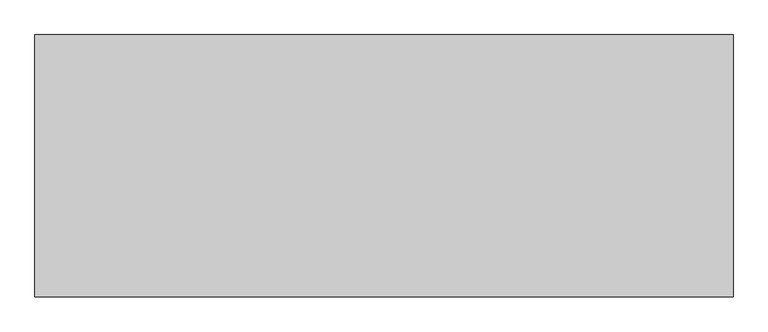
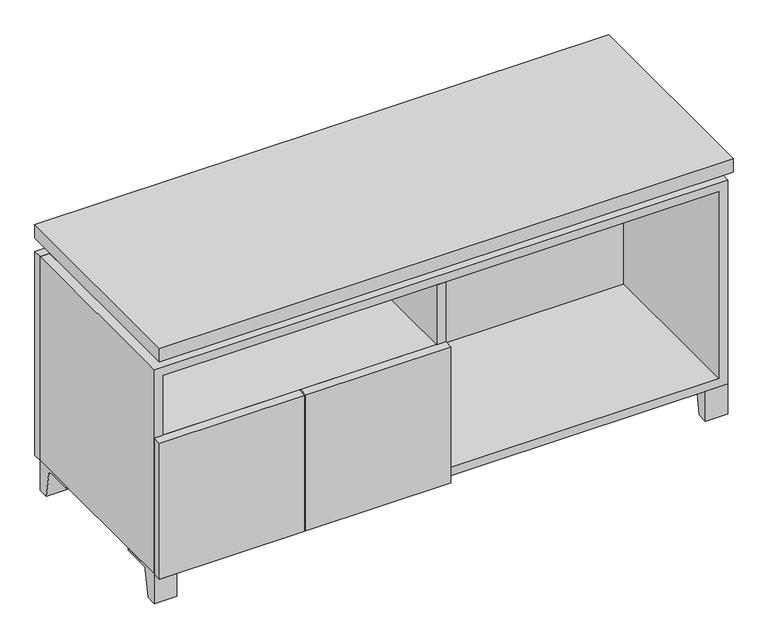
"""IFC4 building model written with IfcOpenShell, lengths in millimetres: furniture geometry."""

from ifc_helpers import new_model, si_unit, point, frame, frame_2d, origin, place, context, project, spatial, polyline, circle_curve, trimmed, segment, composite_curve, outline, extrude, faceted_brep, source, transform, mapped, element, save


def furniture_b4972115(model_context):
    return source(origin(), model_context, "Body", "SolidModel", [
        extrude(outline(composite_curve([segment(polyline([(44.9791531, 0.0), (22.225, 0.0), (22.225, 66.675), (117.475, 66.675), (117.475, 61.8963321), (60.6744655, 61.8963321)]), True, "CONTINUOUS"), segment(trimmed(circle_curve(frame_2d((60.6744655, 55.5463321)), 6.35), [point((60.6744655, 61.8963321))], [point((54.4108641, 56.5902656))], True, "CARTESIAN"), True, "CONTINUOUS"), segment(polyline([(54.4108641, 56.5902656), (44.9791531, 0.0)]), True, "CONTINUOUS")], self_intersect=False)), frame((-23.7986094, 0.0, 0.0), z_axis=(1.0, 0.0, 0.0), x_axis=(0.0, 1.0, 0.0)), (0.0, 0.0, 1.0), 47.625),
        extrude(outline(composite_curve([segment(polyline([(-123.2958469, 0.0), (-146.05, 0.0), (-146.05, 66.675), (-50.8, 66.675), (-50.8, 61.8963321), (-107.6005345, 61.8963321)]), True, "CONTINUOUS"), segment(trimmed(circle_curve(frame_2d((-107.6005345, 55.5463321)), 6.35), [point((-107.6005345, 61.8963321))], [point((-113.8641359, 56.5902656))], True, "CARTESIAN"), True, "CONTINUOUS"), segment(polyline([(-113.8641359, 56.5902656), (-123.2958469, 0.0)]), True, "CONTINUOUS")], self_intersect=False)), frame((560.4013906, 0.0, 0.0), z_axis=(1.0, 0.0, 0.0), x_axis=(0.0, 1.0, 0.0)), (0.0, 0.0, 1.0), 47.625),
        extrude(outline(composite_curve([segment(polyline([(250.2958469, 0.0), (240.8641359, 56.5902656)]), True, "CONTINUOUS"), segment(trimmed(circle_curve(frame_2d((234.6005345, 55.5463321)), 6.35), [point((240.8641359, 56.5902656))], [point((234.6005345, 61.8963321))], True, "CARTESIAN"), True, "CONTINUOUS"), segment(polyline([(234.6005345, 61.8963321), (177.8, 61.8963321), (177.8, 66.675), (273.05, 66.675), (273.05, 0.0), (250.2958469, 0.0)]), True, "CONTINUOUS")], self_intersect=False)), frame((560.4013906, 0.0, 0.0), z_axis=(1.0, 0.0, 0.0), x_axis=(0.0, 1.0, 0.0)), (0.0, 0.0, 1.0), 47.625),
        extrude(outline(composite_curve([segment(polyline([(-123.2958469, 0.0), (-146.05, 0.0), (-146.05, 66.675), (-50.8, 66.675), (-50.8, 61.8963321), (-107.6005345, 61.8963321)]), True, "CONTINUOUS"), segment(trimmed(circle_curve(frame_2d((-107.6005345, 55.5463321)), 6.35), [point((-107.6005345, 61.8963321))], [point((-113.8641359, 56.5902656))], True, "CARTESIAN"), True, "CONTINUOUS"), segment(polyline([(-113.8641359, 56.5902656), (-123.2958469, 0.0)]), True, "CONTINUOUS")], self_intersect=False)), frame((-607.9986094, 0.0, 0.0), z_axis=(1.0, 0.0, 0.0), x_axis=(0.0, 1.0, 0.0)), (0.0, 0.0, 1.0), 47.625),
        extrude(outline(composite_curve([segment(polyline([(250.2958469, 0.0), (240.8641359, 56.5902656)]), True, "CONTINUOUS"), segment(trimmed(circle_curve(frame_2d((234.6005345, 55.5463321)), 6.35), [point((240.8641359, 56.5902656))], [point((234.6005345, 61.8963321))], True, "CARTESIAN"), True, "CONTINUOUS"), segment(polyline([(234.6005345, 61.8963321), (177.8, 61.8963321), (177.8, 66.675), (273.05, 66.675), (273.05, 0.0), (250.2958469, 0.0)]), True, "CONTINUOUS")], self_intersect=False)), frame((-607.9986094, 0.0, 0.0), z_axis=(1.0, 0.0, 0.0), x_axis=(0.0, 1.0, 0.0)), (0.0, 0.0, 1.0), 47.625),
        faceted_brep([(-607.9986094, -146.05, 66.675), (608.0125, -146.05, 66.675), (608.0125, -146.05, 523.875), (-607.9986094, -146.05, 523.875), (-588.9486094, -146.05, 85.725), (-588.9486094, -146.05, 504.825), (588.9694453, -146.05, 504.825), (588.9486094, -146.05, 85.725), (-607.9986094, 273.05, 66.675), (-607.9986094, 273.05, 523.875), (-588.9486094, 273.05, 523.875), (-588.9486094, 273.05, 85.725), (588.9486094, 273.05, 85.725), (588.9486094, 273.05, 523.875), (608.0125, 273.05, 523.875), (608.0125, 273.05, 66.675), (588.9486094, 247.65, 523.875), (-588.9416641, 247.65, 523.875), (-588.9486094, 247.65, 504.825), (588.9486094, 247.65, 504.825)], [[[0, 1, 2, 3], [4, 5, 6, 7]], [[8, 9, 10, 11, 12, 13, 14, 15]], [[1, 0, 8, 15]], [[2, 1, 15, 14]], [[3, 2, 14, 13, 16, 17, 10, 9]], [[0, 3, 9, 8]], [[11, 10, 17, 18, 5, 4]], [[13, 12, 7, 6, 19, 16]], [[4, 7, 12, 11]], [[6, 5, 18, 19]], [[17, 16, 19, 18]]]),
        extrude(outline(polyline([(608.0263906, -165.1), (-607.9986094, -165.1), (-607.9986094, 292.1), (608.0263906, 292.1), (608.0263906, -165.1)])), frame((0.0, 0.0, 554.0375), z_axis=(0.0, 0.0, 1.0), x_axis=(1.0, 0.0, 0.0)), (0.0, 0.0, 1.0), 30.1625),
        faceted_brep([(7.9513906, -69.85, 554.0375), (7.9513906, -69.85, 523.875), (7.9513906, 53.975, 523.875), (7.9513906, 53.975, 554.0375), (7.9513906, 196.85, 523.875), (7.9513906, 196.85, 554.0375), (7.9513906, 73.025, 554.0375), (7.9513906, 73.025, 523.875), (-7.9236094, 196.85, 554.0375), (-7.9236094, 196.85, 523.875), (-7.9236094, 73.025, 523.875), (-7.9236094, 73.025, 554.0375), (-7.9236094, -69.85, 523.875), (-7.9236094, -69.85, 554.0375), (-7.9236094, 53.975, 554.0375), (-7.9236094, 53.975, 523.875), (-566.6958281, 73.025, 554.0375), (-566.7166641, 247.65, 554.0375), (-582.5916641, 247.65, 554.0375), (-582.5916641, -120.65, 554.0375), (-566.7166641, -120.65, 554.0375), (-566.7166641, 53.975, 554.0375), (566.7236094, 53.975, 554.0375), (566.7236094, -120.65, 554.0375), (582.5986094, -120.65, 554.0375), (582.5986094, 247.65, 554.0375), (566.7236094, 247.65, 554.0375), (566.7236094, 73.025, 554.0375), (-566.6958281, 53.975, 523.875), (-566.7166641, -120.65, 523.875), (-582.5916641, -120.65, 523.875), (-582.5916641, 247.65, 523.875), (-566.7166641, 247.65, 523.875), (-566.7166641, 73.025, 523.875), (566.7236094, 73.025, 523.875), (566.7236094, 247.65, 523.875), (582.5986094, 247.65, 523.875), (582.5986094, -120.65, 523.875), (566.7236094, -120.65, 523.875), (566.7236094, 53.975, 523.875)], [[[0, 1, 2, 3]], [[4, 5, 6, 7]], [[8, 9, 10, 11]], [[12, 13, 14, 15]], [[5, 8, 11, 16, 17, 18, 19, 20, 21, 14, 13, 0, 3, 22, 23, 24, 25, 26, 27, 6]], [[1, 12, 15, 28, 29, 30, 31, 32, 33, 10, 9, 4, 7, 34, 35, 36, 37, 38, 39, 2]], [[5, 4, 9, 8]], [[1, 0, 13, 12]], [[6, 27, 34, 7]], [[22, 3, 2, 39]], [[20, 29, 28, 21]], [[32, 17, 16, 33]], [[18, 31, 30, 19]], [[29, 20, 19, 30]], [[17, 32, 31, 18]], [[26, 35, 34, 27]], [[38, 23, 22, 39]], [[25, 24, 37, 36]], [[23, 38, 37, 24]], [[35, 26, 25, 36]], [[16, 11, 10, 33]], [[14, 21, 28, 15]]]),
        extrude(outline(polyline([(9.5388906, 203.2), (9.5388906, -146.05), (-9.5111094, -146.05), (-9.5111094, 203.2), (9.5388906, 203.2)])), frame((0.0, 0.0, 85.725), z_axis=(0.0, 0.0, 1.0), x_axis=(1.0, 0.0, 0.0)), (0.0, 0.0, 1.0), 419.1),
        extrude(outline(polyline([(608.0263906, 273.05), (-607.9986094, 273.05), (-607.9986094, 292.1), (608.0263906, 292.1), (608.0263906, 273.05)])), frame((0.0, 0.0, 66.675), z_axis=(0.0, 0.0, 1.0), x_axis=(1.0, 0.0, 0.0)), (0.0, 0.0, 1.0), 457.2),
        extrude(outline(polyline([(-588.9416641, 203.2), (-588.9416641, 209.55), (588.9694453, 209.55), (588.9694453, 203.2), (-588.9416641, 203.2)])), frame((0.0, 0.0, 85.725), z_axis=(0.0, 0.0, 1.0), x_axis=(1.0, 0.0, 0.0)), (0.0, 0.0, 1.0), 419.1),
        extrude(outline(polyline([(9.5388906, -165.1), (-297.6423594, -165.1), (-297.6423594, -146.05), (9.5388906, -146.05), (9.5388906, -165.1)])), frame((0.0, 0.0, 66.675), z_axis=(0.0, 0.0, 1.0), x_axis=(1.0, 0.0, 0.0)), (0.0, 0.0, 1.0), 304.8),
        extrude(outline(polyline([(-300.8173594, -165.1), (-607.9986094, -165.1), (-607.9986094, -146.05), (-300.8173594, -146.05), (-300.8173594, -165.1)])), frame((0.0, 0.0, 66.675), z_axis=(0.0, 0.0, 1.0), x_axis=(1.0, 0.0, 0.0)), (0.0, 0.0, 1.0), 304.8),
        extrude(outline(polyline([(-9.5111094, 203.2), (-9.5111094, -146.05), (-588.9486094, -146.05), (-588.9486094, 203.2), (-9.5111094, 203.2)])), frame((0.0, 0.0, 352.425), z_axis=(0.0, 0.0, 1.0), x_axis=(1.0, 0.0, 0.0)), (0.0, 0.0, 1.0), 19.05),
    ])


if __name__ == "__main__":
    model = new_model("IFC4")
    model_context = context("Model", 3, world=origin())
    ifc_project = project(units=[si_unit("LENGTHUNIT", "METRE", prefix="MILLI")], contexts=[model_context])
    site = spatial("IfcSite", under=ifc_project)
    building = spatial("IfcBuilding", under=site)
    placement = place(None, origin())
    furniture_shape = furniture_b4972115(model_context)
    element("IfcFurniture", 1, at=placement, inside=building, context=model_context, shape_type="MappedRepresentation", body=[
        mapped(furniture_shape, transform((0.0, 0.0, 0.0), x_axis=(1.0, 0.0, 0.0), y_axis=(0.0, 1.0, 0.0), z_axis=(0.0, 0.0, 1.0))),
    ])
    save(model, "model.ifc")
